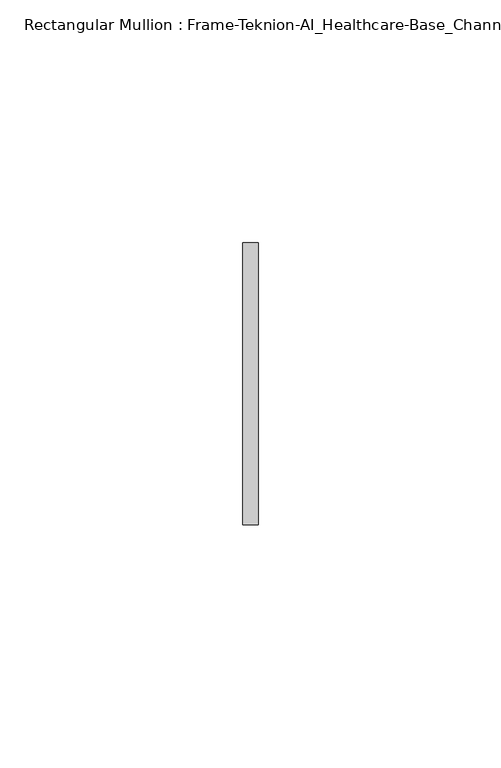
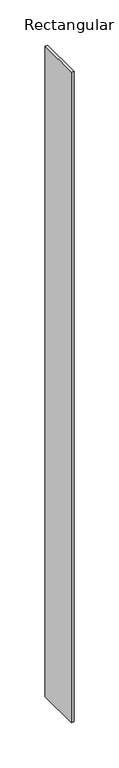
"""IFC4 building model written with IfcOpenShell, lengths in millimetres: member geometry, Rectangular Mullion : Frame-Teknion-AI_Healthcare-Base_Channel."""

from ifc_helpers import new_model, si_unit, frame, origin, place, context, project, spatial, polyline, outline, extrude, source, transform, mapped, element, save


def rectangular_mullion_frame_teknion_ai_healthcare_base_channel_0d83c600(model_context):
    return source(origin(), model_context, "Body", "SweptSolid", [
        extrude(outline(polyline([(0.0, 29.0214844), (0.0, -29.0214844), (-3.175, -29.0214844), (-3.175, 29.0214844), (0.0, 29.0214844)])), frame((0.0, 0.0, -876.3), z_axis=(0.0, 0.0, 1.0), x_axis=(1.0, 0.0, 0.0)), (0.0, 0.0, 1.0), 876.3),
    ])


if __name__ == "__main__":
    model = new_model("IFC4")
    model_context = context("Model", 3, world=origin())
    ifc_project = project(units=[si_unit("LENGTHUNIT", "METRE", prefix="MILLI")], contexts=[model_context])
    site = spatial("IfcSite", under=ifc_project)
    building = spatial("IfcBuilding", under=site)
    placement = place(None, origin())
    rectangular_mullion_frame_teknion_ai_healthcare_base_channel_shape = rectangular_mullion_frame_teknion_ai_healthcare_base_channel_0d83c600(model_context)
    element("IfcMember", 1, ObjectType="Rectangular Mullion : Frame-Teknion-AI_Healthcare-Base_Channel", at=placement, inside=building, context=model_context, shape_type="MappedRepresentation", body=[
        mapped(rectangular_mullion_frame_teknion_ai_healthcare_base_channel_shape, transform((0.0, 0.0, 0.0), x_axis=(1.0, 0.0, 0.0), y_axis=(0.0, 1.0, 0.0), z_axis=(0.0, 0.0, 1.0))),
    ])
    save(model, "model.ifc")
